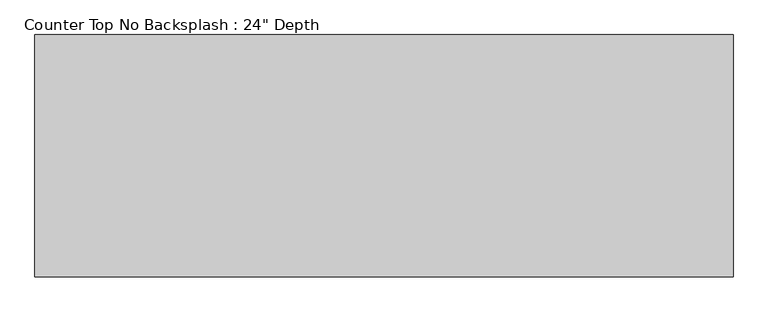
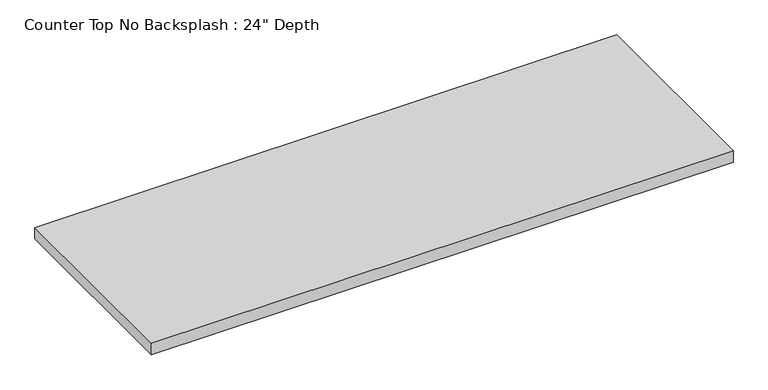
"""IFC4 building model written with IfcOpenShell, lengths in millimetres: furniture geometry."""

from ifc_helpers import new_model, si_unit, frame, origin, place, context, project, spatial, polyline, outline, extrude, source, transform, mapped, element, save


def furniture_fcc05564(model_context):
    return source(origin(), model_context, "Body", "SweptSolid", [
        extrude(outline(polyline([(628.3377049, 0.0), (628.3377049, -635.0), (-1200.4622951, -635.0), (-1200.4622951, 0.0), (628.3377049, 0.0)])), frame((0.0, 0.0, 876.3), z_axis=(0.0, 0.0, 1.0), x_axis=(1.0, 0.0, 0.0)), (0.0, 0.0, 1.0), 38.1),
    ])


if __name__ == "__main__":
    model = new_model("IFC4")
    model_context = context("Model", 3, world=origin())
    ifc_project = project(units=[si_unit("LENGTHUNIT", "METRE", prefix="MILLI")], contexts=[model_context])
    site = spatial("IfcSite", under=ifc_project)
    building = spatial("IfcBuilding", under=site)
    placement = place(None, origin())
    furniture_shape = furniture_fcc05564(model_context)
    element("IfcFurniture", 1, ObjectType="Counter Top No Backsplash : 24\" Depth", at=placement, inside=building, context=model_context, shape_type="MappedRepresentation", body=[
        mapped(furniture_shape, transform((0.0, 0.0, 0.0), x_axis=(1.0, 0.0, 0.0), y_axis=(0.0, 1.0, 0.0), z_axis=(0.0, 0.0, 1.0))),
    ])
    save(model, "model.ifc")
